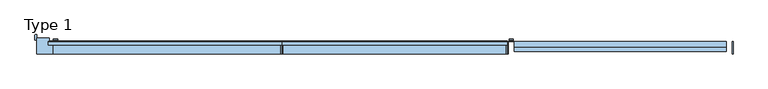
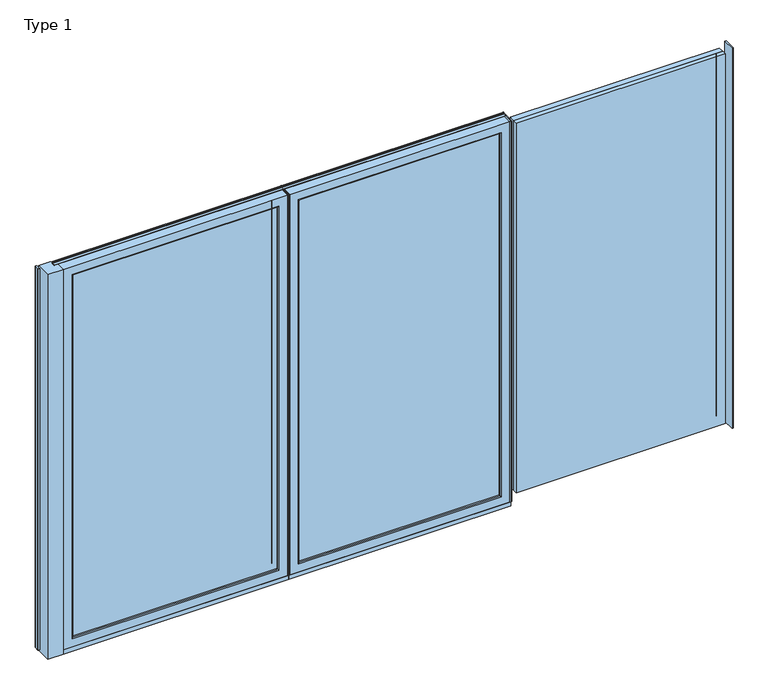
"""IFC4 building model written with IfcOpenShell, lengths in millimetres: window geometry, Type 1."""

from ifc_helpers import new_model, si_unit, point, frame, frame_2d, origin, place, context, project, spatial, polyline, circle_curve, ellipse_curve, trimmed, segment, composite_curve, outline, extrude, source, transform, mapped, element, save
from ifc_brep_helpers import plane_surface, cylinder_surface, extruded_surface, advanced_brep


def type_1_b9b01af2(model_context):
    return source(origin(), model_context, "Body", "SolidModel", [
        advanced_brep(
        [(-1882.0115262, 73.5, 1050.0), (-1905.9887879, 73.5, 1050.0), (-1905.9887879, 76.8965533, 1050.0), (-1882.0115262, 76.8965533, 1050.0), (-1882.0115262, 84.5, 1050.0), (-1882.0115262, 84.5, 918.6867153), (-1905.9887879, 84.5, 918.6867153), (-1905.9887879, 84.5, 1050.0), (-1905.9887879, 76.8965533, 918.6867153), (-1882.0115262, 76.8965533, 918.6867153)],
        [
            (0, 1, circle_curve(frame((-1894.0001571, 73.5, 1050.0), z_axis=(0.0, -1.0, 0.0), x_axis=(-1.0, 0.0, 0.0)), 11.9886308)),
            (1, 0, circle_curve(frame((-1894.0001571, 73.5, 1050.0), z_axis=(0.0, -1.0, 0.0), x_axis=(-1.0, 0.0, 0.0)), 11.9886308)),
            (1, 2),
            (2, 3, circle_curve(frame((-1894.0001571, 76.8965533, 1050.0), z_axis=(0.0, -1.0, 0.0), x_axis=(-1.0, 0.0, 0.0)), 11.9886308)),
            (3, 0),
            (3, 2, circle_curve(frame((-1894.0001571, 76.8965533, 1050.0), z_axis=(0.0, -1.0, 0.0), x_axis=(-1.0, 0.0, 0.0)), 11.9886308)),
            (4, 5),
            (5, 6, ellipse_curve(frame((-1894.0001571, 84.5, 918.6867153), z_axis=(0.0, 1.0, 0.0), x_axis=(1.0, 0.0, 0.0)), 11.9886308, 7.9050795)),
            (6, 7),
            (7, 4, circle_curve(frame((-1894.0001571, 84.5, 1050.0), z_axis=(0.0, 1.0, 0.0), x_axis=(-1.0, 0.0, 0.0)), 11.9886308)),
            (2, 8),
            (8, 9, ellipse_curve(frame((-1894.0001571, 76.8965533, 918.6867153), z_axis=(0.0, -1.0, 0.0), x_axis=(1.0, 0.0, 0.0)), 11.9886308, 7.9050795)),
            (9, 3),
            (4, 3),
            (9, 5),
            (8, 6),
            (2, 7),
        ],
        [
            plane_surface(frame((-1905.9887879, 73.5, 1050.0), z_axis=(0.0, -1.0, 0.0), x_axis=(0.0, 0.0, -1.0))),
            cylinder_surface(frame((-1894.0001571, 73.5, 1050.0), z_axis=(0.0, 1.0, 0.0), x_axis=(-1.0, 0.0, 0.0)), 11.9886308),
            plane_surface(frame((-1882.0115262, 84.5, 928.3382074), z_axis=(0.0, 1.0, 0.0), x_axis=(0.0, 0.0, -1.0))),
            plane_surface(frame((-1882.0115262, 76.8965533, 928.3382074), z_axis=(0.0, -1.0, 0.0), x_axis=(0.0, 0.0, 1.0))),
            plane_surface(frame((-1882.0115262, 84.5, 1050.0), z_axis=(1.0, 0.0, 0.0), x_axis=(0.0, -1.0, 0.0))),
            extruded_surface(trimmed(ellipse_curve(frame((-1894.0001571, 69.2931066, 918.6867153), z_axis=(0.0, 1.0, 0.0), x_axis=(1.0, 0.0, 0.0)), 11.9886308, 7.9050795), [point((-1882.0115262, 69.2931066, 918.6867153))], [point((-1905.9887879, 69.2931066, 918.6867153))], True, "CARTESIAN"), (0.0, 7.603446699999992, 0.0), 7.603446699999992),
            plane_surface(frame((-1905.9887879, 84.5, 918.6867153), z_axis=(-1.0, 0.0, 0.0), x_axis=(0.0, -1.0, 0.0))),
            cylinder_surface(frame((-1894.0001571, 76.8965533, 1050.0), z_axis=(0.0, 1.0, 0.0), x_axis=(-1.0, 0.0, 0.0)), 11.9886308),
        ],
        [
            (0, [[1, 2]]),
            (1, [[-2, 3, 4, 5]]),
            (1, [[-1, -5, 6, -3]]),
            (2, [[7, 8, 9, 10]]),
            (3, [[11, 12, 13, -4]]),
            (4, [[-7, 14, -13, 15]]),
            (5, [[-8, -15, -12, 16]]),
            (6, [[-9, -16, -11, 17]]),
            (7, [[-10, -17, -6, -14]]),
        ],
    ),
        extrude(outline(composite_curve([segment(trimmed(circle_curve(frame_2d((1068.75, -1894.0001571)), 14.0), [point((1068.75, -1880.0001571))], [point((1068.75, -1908.0001571))], False, "CARTESIAN"), True, "CONTINUOUS"), segment(polyline([(1068.75, -1908.0001571), (1031.25, -1908.0001571)]), True, "CONTINUOUS"), segment(trimmed(circle_curve(frame_2d((1031.25, -1894.0001571)), 14.0), [point((1031.25, -1908.0001571))], [point((1031.25, -1880.0001571))], False, "CARTESIAN"), True, "CONTINUOUS"), segment(polyline([(1031.25, -1880.0001571), (1068.75, -1880.0001571)]), True, "CONTINUOUS")], self_intersect=False)), frame((0.0, 70.0, 0.0), z_axis=(0.0, 1.0, 0.0), x_axis=(0.0, 0.0, 1.0)), (0.0, 0.0, 1.0), 3.5),
        advanced_brep(
        [(-2000.0005233, 0.0, 10.0), (-2000.0005233, 90.0, 10.0), (-1930.0005233, 90.0, 10.0), (-1930.0005233, 70.0, 10.0), (-1910.0005233, 70.0, 10.0), (-1910.0005233, 0.0, 10.0), (-2000.0005233, 0.0, 2337.0), (-2000.0005233, 90.0, 2337.0), (-2000.0005233, 90.0, 2325.0), (-2000.0005233, 78.0, 2325.0), (-2000.0005233, 78.0, 20.0), (-2000.0005233, 90.0, 20.0), (-1930.0005233, 90.0, 2337.0), (-1930.0005233, 70.0, 2337.0), (-1910.0005233, 70.0, 2337.0), (-1910.0005233, 0.0, 2337.0), (-2007.5005233, 78.0, 20.0), (-2007.5005233, 78.0, 2325.0), (-2010.0005233, 80.5, 20.0), (-2010.0005233, 106.5, 20.0), (-2007.5005233, 109.0, 20.0), (-2000.0005233, 109.0, 20.0), (-2000.0005233, 109.0, 2325.0), (-2010.0005233, 80.5, 2325.0), (-2010.0005233, 106.5, 2325.0), (-2007.5005233, 109.0, 2325.0)],
        [
            (0, 1),
            (1, 2),
            (2, 3),
            (3, 4),
            (4, 5),
            (5, 0),
            (0, 6),
            (6, 7),
            (7, 8),
            (8, 9),
            (9, 10),
            (10, 11),
            (11, 1),
            (11, 8),
            (7, 12),
            (12, 2),
            (12, 13),
            (13, 3),
            (13, 14),
            (14, 4),
            (14, 15),
            (15, 5),
            (15, 6),
            (16, 10),
            (9, 17),
            (17, 16),
            (16, 18, circle_curve(frame((-2007.5005233, 80.5, 20.0), z_axis=(0.0, 0.0, -1.0), x_axis=(0.0, 1.0, 0.0)), 2.5)),
            (18, 19),
            (19, 20, circle_curve(frame((-2007.5005233, 106.5, 20.0), z_axis=(0.0, 0.0, -1.0), x_axis=(0.0, 1.0, 0.0)), 2.5)),
            (20, 21),
            (21, 11),
            (21, 22),
            (22, 8),
            (17, 23, circle_curve(frame((-2007.5005233, 80.5, 2325.0), z_axis=(0.0, 0.0, -1.0), x_axis=(0.0, 1.0, 0.0)), 2.5)),
            (23, 18),
            (23, 24),
            (24, 19),
            (24, 25, circle_curve(frame((-2007.5005233, 106.5, 2325.0), z_axis=(0.0, 0.0, -1.0), x_axis=(0.0, 1.0, 0.0)), 2.5)),
            (25, 20),
            (25, 22),
        ],
        [
            plane_surface(frame((-1910.0001571, 0.0, 10.0), z_axis=(0.0, 0.0, -1.0), x_axis=(-1.0, 0.0, 0.0))),
            plane_surface(frame((-2000.0005233, 0.0, 10.0), z_axis=(-1.0, 0.0, 0.0), x_axis=(0.0, 0.0, 1.0))),
            plane_surface(frame((-2000.0005233, 90.0, 10.0), z_axis=(0.0, 1.0, 0.0), x_axis=(0.0, 0.0, 1.0))),
            plane_surface(frame((-1930.0005233, 90.0, 10.0), z_axis=(1.0, 0.0, 0.0), x_axis=(0.0, 0.0, 1.0))),
            plane_surface(frame((-1930.0005233, 70.0, 10.0), z_axis=(0.0, 1.0, 0.0), x_axis=(0.0, 0.0, 1.0))),
            plane_surface(frame((-1910.0005233, 70.0, 10.0), z_axis=(1.0, 0.0, 0.0), x_axis=(0.0, 0.0, 1.0))),
            plane_surface(frame((-1910.0005233, 0.0, 10.0), z_axis=(0.0, -1.0, 0.0), x_axis=(0.0, 0.0, 1.0))),
            plane_surface(frame((-1910.0001571, 0.0, 2337.0), z_axis=(0.0, 0.0, 1.0), x_axis=(-1.0, 0.0, 0.0))),
            plane_surface(frame((-2000.0005233, 78.0, 20.0), z_axis=(0.0, -1.0, 0.0), x_axis=(0.0, 0.0, 1.0))),
            plane_surface(frame((-2000.0005233, 0.0, 20.0), z_axis=(0.0, 0.0, -1.0), x_axis=(-1.0, 0.0, 0.0))),
            plane_surface(frame((-2000.0005233, 109.0, 20.0), z_axis=(1.0, 0.0, 0.0), x_axis=(0.0, 0.0, 1.0))),
            cylinder_surface(frame((-2007.5005233, 80.5, 20.0), z_axis=(0.0, 0.0, -1.0), x_axis=(0.0, 1.0, 0.0)), 2.5),
            plane_surface(frame((-2010.0005233, 80.5, 20.0), z_axis=(-1.0, 0.0, 0.0), x_axis=(0.0, 0.0, 1.0))),
            cylinder_surface(frame((-2007.5005233, 106.5, 20.0), z_axis=(0.0, 0.0, -1.0), x_axis=(0.0, 1.0, 0.0)), 2.5),
            plane_surface(frame((-2007.5005233, 109.0, 20.0), z_axis=(0.0, 1.0, 0.0), x_axis=(0.0, 0.0, 1.0))),
            plane_surface(frame((-2000.0005233, 0.0, 2325.0), z_axis=(0.0, 0.0, 1.0), x_axis=(-1.0, 0.0, 0.0))),
        ],
        [
            (0, [[1, 2, 3, 4, 5, 6]]),
            (1, [[-1, 7, 8, 9, 10, 11, 12, 13]]),
            (2, [[-2, -13, 14, -9, 15, 16]]),
            (3, [[-3, -16, 17, 18]]),
            (4, [[-4, -18, 19, 20]]),
            (5, [[-5, -20, 21, 22]]),
            (6, [[-6, -22, 23, -7]]),
            (7, [[-23, -21, -19, -17, -15, -8]]),
            (8, [[24, -11, 25, 26]]),
            (9, [[-24, 27, 28, 29, 30, 31, -12]]),
            (10, [[32, 33, -14, -31]]),
            (11, [[-27, -26, 34, 35]]),
            (12, [[-28, -35, 36, 37]]),
            (13, [[-29, -37, 38, 39]]),
            (14, [[-30, -39, 40, -32]]),
            (15, [[-40, -38, -36, -34, -25, -10, -33]]),
        ],
    ),
        extrude(outline(polyline([(-622.0001571, 0.0), (-628.0001571, 0.0), (-628.0001571, 70.0), (-622.0001571, 70.0), (-622.0001571, 0.0)])), frame((0.0, 0.0, 36.0), z_axis=(0.0, 0.0, 1.0), x_axis=(1.0, 0.0, 0.0)), (0.0, 0.0, 1.0), 2301.0),
        extrude(outline(polyline([(-660.0001571, 13.999939), (-1878.0001571, 13.999939), (-1878.0001571, 37.9928974), (-660.0001571, 37.9928974), (-660.0001571, 13.999939)])), frame((0.0, 0.0, 68.0), z_axis=(0.0, 0.0, 1.0), x_axis=(1.0, 0.0, 0.0)), (0.0, 0.0, 1.0), 2237.0),
        advanced_brep(
        [(-1856.0005843, 64.5552044, 2283.0004272), (-1856.0005843, 37.9928974, 2283.0004272), (-1856.0005843, 37.9928974, 89.9995728), (-1856.0005843, 64.5552044, 89.9995728), (-1878.0001571, 37.9928974, 2305.0), (-1878.0001571, 37.9928974, 68.0), (-660.0001571, 37.9928974, 68.0), (-660.0001571, 37.9928974, 2305.0), (-681.9997298, 37.9928974, 2283.0004272), (-681.9997298, 37.9928974, 89.9995728), (-681.9997298, 64.5552044, 89.9995728), (-1856.7101277, 65.8045072, 2283.7099707), (-1856.7101277, 65.8045072, 89.2900293), (-681.2901864, 65.8045072, 89.2900293), (-1872.0002181, 70.0, 2299.000061), (-1872.0002181, 70.0, 73.999939), (-666.000096, 70.0, 73.999939), (-660.0001571, 70.0, 2305.0), (-660.0001571, 70.0, 68.0), (-1878.0001571, 70.0, 68.0), (-1878.0001571, 70.0, 2305.0), (-666.000096, 70.0, 2299.000061), (-681.9997298, 64.5552044, 2283.0004272), (-681.2901864, 65.8045072, 2283.7099707)],
        [
            (0, 1),
            (1, 2),
            (2, 3),
            (3, 0),
            (4, 5),
            (5, 6),
            (6, 7),
            (7, 4),
            (8, 9),
            (9, 2),
            (1, 8),
            (9, 10),
            (10, 3),
            (11, 0, ellipse_curve(frame((-1857.4551883, 64.5552044, 2284.4550312), z_axis=(-0.7071067811865475, 0.0, -0.7071067811865475), x_axis=(-0.7071067811865474, 0.0, 0.7071067811865476)), 2.0571207, 1.454604)),
            (3, 12, ellipse_curve(frame((-1857.4551883, 64.5552044, 88.5449688), z_axis=(-0.7071067811865475, 0.0, 0.7071067811865475), x_axis=(0.7071067811865474, 0.0, 0.7071067811865476)), 2.0571207, 1.454604)),
            (12, 11),
            (10, 13, ellipse_curve(frame((-680.5451258, 64.5552044, 88.5449688), z_axis=(-0.7071067811865475, 0.0, -0.7071067811865475), x_axis=(-0.7071067811865476, 0.0, 0.7071067811865474)), 2.0571207, 1.454604)),
            (13, 12),
            (14, 11, ellipse_curve(frame((-1871.9362825, 40.2735922, 2298.9361254), z_axis=(-0.7071067811865475, 0.0, -0.7071067811865475), x_axis=(-0.7071067811865474, 0.0, 0.7071067811865476)), 42.0395863, 29.7264765)),
            (12, 15, ellipse_curve(frame((-1871.9362825, 40.2735922, 74.0638746), z_axis=(-0.7071067811865475, 0.0, 0.7071067811865475), x_axis=(0.7071067811865474, 0.0, 0.7071067811865476)), 42.0395863, 29.7264765)),
            (15, 14),
            (13, 16, ellipse_curve(frame((-666.0640316, 40.2735922, 74.0638746), z_axis=(-0.7071067811865475, 0.0, -0.7071067811865475), x_axis=(-0.7071067811865476, 0.0, 0.7071067811865474)), 42.0395863, 29.7264765)),
            (16, 15),
            (17, 18),
            (18, 19),
            (19, 20),
            (20, 17),
            (16, 21),
            (21, 14),
            (4, 20),
            (19, 5),
            (18, 6),
            (8, 22),
            (22, 10),
            (22, 23, ellipse_curve(frame((-680.5451258, 64.5552044, 2284.4550312), z_axis=(0.7071067811865475, 0.0, -0.7071067811865475), x_axis=(-0.7071067811865474, 0.0, -0.7071067811865476)), 2.0571207, 1.454604)),
            (23, 13),
            (23, 21, ellipse_curve(frame((-666.0640316, 40.2735922, 2298.9361254), z_axis=(0.7071067811865475, 0.0, -0.7071067811865475), x_axis=(-0.7071067811865474, 0.0, -0.7071067811865476)), 42.0395863, 29.7264765)),
            (17, 7),
            (0, 22),
            (11, 23),
        ],
        [
            plane_surface(frame((-1856.0005843, 37.9928974, 2283.0004272), z_axis=(1.0, 0.0, 0.0), x_axis=(0.0, 0.0, -1.0))),
            plane_surface(frame((-660.0001571, 37.9928974, 68.0), z_axis=(0.0, -1.0, 0.0), x_axis=(0.0, 0.0, 1.0))),
            plane_surface(frame((-1856.0005843, 37.9928974, 89.9995728), z_axis=(0.0, 0.0, 1.0), x_axis=(1.0, 0.0, 0.0))),
            cylinder_surface(frame((-1857.4551883, 64.5552044, 2283.0004272), z_axis=(0.0, 0.0, 1.0), x_axis=(-1.0, 0.0, 0.0)), 1.454604),
            cylinder_surface(frame((-1856.0005843, 64.5552044, 88.5449688), z_axis=(-1.0, 0.0, 0.0), x_axis=(0.0, 0.0, -1.0)), 1.454604),
            cylinder_surface(frame((-1871.9362825, 40.2735922, 2283.0004272), z_axis=(0.0, 0.0, 1.0), x_axis=(-1.0, 0.0, 0.0)), 29.7264765),
            cylinder_surface(frame((-1856.0005843, 40.2735922, 74.0638746), z_axis=(-1.0, 0.0, 0.0), x_axis=(0.0, 0.0, -1.0)), 29.7264765),
            plane_surface(frame((-666.000096, 70.0, 73.999939), z_axis=(0.0, 1.0, 0.0), x_axis=(0.0, 0.0, 1.0))),
            plane_surface(frame((-1878.0001571, 70.0, 2305.0), z_axis=(-1.0, 0.0, 0.0), x_axis=(0.0, 0.0, -1.0))),
            plane_surface(frame((-1878.0001571, 70.0, 68.0), z_axis=(0.0, 0.0, -1.0), x_axis=(1.0, 0.0, 0.0))),
            plane_surface(frame((-681.9997298, 37.9928974, 89.9995728), z_axis=(-1.0, 0.0, 0.0), x_axis=(0.0, 0.0, 1.0))),
            cylinder_surface(frame((-680.5451258, 64.5552044, 89.9995728), z_axis=(0.0, 0.0, -1.0), x_axis=(1.0, 0.0, 0.0)), 1.454604),
            cylinder_surface(frame((-666.0640316, 40.2735922, 89.9995728), z_axis=(0.0, 0.0, -1.0), x_axis=(1.0, 0.0, 0.0)), 29.7264765),
            plane_surface(frame((-660.0001571, 70.0, 68.0), z_axis=(1.0, 0.0, 0.0), x_axis=(0.0, 0.0, 1.0))),
            plane_surface(frame((-681.9997298, 37.9928974, 2283.0004272), z_axis=(0.0, 0.0, -1.0), x_axis=(-1.0, 0.0, 0.0))),
            cylinder_surface(frame((-681.9997298, 64.5552044, 2284.4550312), z_axis=(1.0, 0.0, 0.0), x_axis=(0.0, 0.0, 1.0)), 1.454604),
            cylinder_surface(frame((-681.9997298, 40.2735922, 2298.9361254), z_axis=(1.0, 0.0, 0.0), x_axis=(0.0, 0.0, 1.0)), 29.7264765),
            plane_surface(frame((-660.0001571, 70.0, 2305.0), z_axis=(0.0, 0.0, 1.0), x_axis=(-1.0, 0.0, 0.0))),
        ],
        [
            (0, [[1, 2, 3, 4]]),
            (1, [[5, 6, 7, 8], [9, 10, -2, 11]]),
            (2, [[-3, -10, 12, 13]]),
            (3, [[14, -4, 15, 16]]),
            (4, [[-15, -13, 17, 18]]),
            (5, [[19, -16, 20, 21]]),
            (6, [[-20, -18, 22, 23]]),
            (7, [[24, 25, 26, 27], [-21, -23, 28, 29]]),
            (8, [[30, -26, 31, -5]]),
            (9, [[-31, -25, 32, -6]]),
            (10, [[-12, -9, 33, 34]]),
            (11, [[-17, -34, 35, 36]]),
            (12, [[-22, -36, 37, -28]]),
            (13, [[-32, -24, 38, -7]]),
            (14, [[-33, -11, -1, 39]]),
            (15, [[-35, -39, -14, 40]]),
            (16, [[-37, -40, -19, -29]]),
            (17, [[-38, -27, -30, -8]]),
        ],
    ),
        advanced_brep(
        [(-628.0001571, 70.0, 2337.0), (-628.0001571, 0.0, 2337.0), (-628.0001571, 0.0, 36.0), (-628.0001571, 70.0, 36.0), (-1910.0001571, 0.0, 36.0), (-1910.0001571, 70.0, 36.0), (-1910.0001571, 0.0, 2337.0), (-1860.500967, 0.0, 85.4991901), (-1860.500967, 0.0, 2287.5008099), (-677.4993471, 0.0, 2287.5008099), (-677.4993471, 0.0, 85.4991901), (-1910.0001571, 70.0, 2337.0), (-660.0001571, 70.0, 68.0), (-660.0001571, 70.0, 2305.0), (-1878.0001571, 70.0, 2305.0), (-1878.0001571, 70.0, 68.0), (-660.0001571, 13.999939, 2305.0), (-660.0001571, 13.999939, 68.0), (-1878.0001571, 13.999939, 68.0), (-1878.0001571, 13.999939, 2305.0), (-681.9997298, 13.999939, 89.9995728), (-681.9997298, 13.999939, 2283.0004272), (-1856.0005843, 13.999939, 2283.0004272), (-1856.0005843, 13.999939, 89.9995728), (-681.9997298, 4.5004435, 2283.0004272), (-681.9997298, 4.5004435, 89.9995728), (-1856.0005843, 4.5004435, 89.9995728), (-1856.0005843, 4.5004435, 2283.0004272)],
        [
            (0, 1),
            (1, 2),
            (2, 3),
            (3, 0),
            (2, 4),
            (4, 5),
            (5, 3),
            (1, 6),
            (6, 4),
            (7, 8),
            (8, 9),
            (9, 10),
            (10, 7),
            (6, 11),
            (11, 5),
            (11, 0),
            (12, 13),
            (13, 14),
            (14, 15),
            (15, 12),
            (16, 13),
            (12, 17),
            (17, 16),
            (15, 18),
            (18, 17),
            (14, 19),
            (19, 18),
            (19, 16),
            (20, 21),
            (21, 22),
            (22, 23),
            (23, 20),
            (24, 21),
            (20, 25),
            (25, 24),
            (23, 26),
            (26, 25),
            (22, 27),
            (27, 26),
            (10, 25, ellipse_curve(frame((-677.4993471, 4.5004435, 85.4991901), z_axis=(-0.7071067811865475, 0.0, -0.7071067811865475), x_axis=(0.7071067811865476, 0.0, -0.7071067811865474)), 6.3645023, 4.5003827)),
            (26, 7, ellipse_curve(frame((-1860.500967, 4.5004435, 85.4991901), z_axis=(0.7071067811865475, 0.0, -0.7071067811865475), x_axis=(0.7071067811865476, 0.0, 0.7071067811865474)), 6.3645023, 4.5003827)),
            (9, 24, ellipse_curve(frame((-677.4993471, 4.5004435, 2287.5008099), z_axis=(0.7071067811865475, 0.0, -0.7071067811865475), x_axis=(0.7071067811865474, 0.0, 0.7071067811865476)), 6.3645023, 4.5003827)),
            (27, 8, ellipse_curve(frame((-1860.500967, 4.5004435, 2287.5008099), z_axis=(-0.7071067811865475, 0.0, -0.7071067811865475), x_axis=(0.7071067811865474, 0.0, -0.7071067811865476)), 6.3645023, 4.5003827)),
            (24, 27),
        ],
        [
            plane_surface(frame((-628.0001571, 0.0, 2337.0), z_axis=(1.0, 0.0, 0.0), x_axis=(0.0, 0.0, -1.0))),
            plane_surface(frame((-628.0001571, 0.0, 36.0), z_axis=(0.0, 0.0, -1.0), x_axis=(-1.0, 0.0, 0.0))),
            plane_surface(frame((-677.4993471, 0.0, 2287.5008099), z_axis=(0.0, -1.0, 0.0), x_axis=(0.0, 0.0, -1.0))),
            plane_surface(frame((-1910.0001571, 0.0, 36.0), z_axis=(-1.0, 0.0, 0.0), x_axis=(0.0, 0.0, 1.0))),
            plane_surface(frame((-628.0001571, 70.0, 2337.0), z_axis=(0.0, 1.0, 0.0), x_axis=(0.0, 0.0, -1.0))),
            plane_surface(frame((-660.0001571, 70.0, 2305.0), z_axis=(-1.0, 0.0, 0.0), x_axis=(0.0, 0.0, -1.0))),
            plane_surface(frame((-660.0001571, 70.0, 68.0), z_axis=(0.0, 0.0, 1.0), x_axis=(-1.0, 0.0, 0.0))),
            plane_surface(frame((-1878.0001571, 70.0, 68.0), z_axis=(1.0, 0.0, 0.0), x_axis=(0.0, 0.0, 1.0))),
            plane_surface(frame((-660.0001571, 13.999939, 2305.0), z_axis=(0.0, 1.0, 0.0), x_axis=(0.0, 0.0, -1.0))),
            plane_surface(frame((-681.9997298, 13.999939, 2283.0004272), z_axis=(-1.0, 0.0, 0.0), x_axis=(0.0, 0.0, -1.0))),
            plane_surface(frame((-681.9997298, 13.999939, 89.9995728), z_axis=(0.0, 0.0, 1.0), x_axis=(-1.0, 0.0, 0.0))),
            plane_surface(frame((-1856.0005843, 13.999939, 89.9995728), z_axis=(1.0, 0.0, 0.0), x_axis=(0.0, 0.0, 1.0))),
            cylinder_surface(frame((-622.0001571, 4.5004435, 85.4991901), z_axis=(1.0, 0.0, 0.0), x_axis=(0.0, 1.0, 0.0)), 4.5003827),
            cylinder_surface(frame((-677.4993471, 4.5004435, 2343.0), z_axis=(0.0, 0.0, 1.0), x_axis=(0.0, 1.0, 0.0)), 4.5003827),
            cylinder_surface(frame((-1860.500967, 4.5004435, 30.0), z_axis=(0.0, 0.0, -1.0), x_axis=(0.0, 1.0, 0.0)), 4.5003827),
            plane_surface(frame((-1910.0001571, 0.0, 2337.0), z_axis=(0.0, 0.0, 1.0), x_axis=(1.0, 0.0, 0.0))),
            plane_surface(frame((-1878.0001571, 70.0, 2305.0), z_axis=(0.0, 0.0, -1.0), x_axis=(1.0, 0.0, 0.0))),
            plane_surface(frame((-1856.0005843, 13.999939, 2283.0004272), z_axis=(0.0, 0.0, -1.0), x_axis=(1.0, 0.0, 0.0))),
            cylinder_surface(frame((-1916.0001571, 4.5004435, 2287.5008099), z_axis=(-1.0, 0.0, 0.0), x_axis=(0.0, 1.0, 0.0)), 4.5003827),
        ],
        [
            (0, [[1, 2, 3, 4]]),
            (1, [[-3, 5, 6, 7]]),
            (2, [[-2, 8, 9, -5], [10, 11, 12, 13]]),
            (3, [[-6, -9, 14, 15]]),
            (4, [[-15, 16, -4, -7], [17, 18, 19, 20]]),
            (5, [[21, -17, 22, 23]]),
            (6, [[-22, -20, 24, 25]]),
            (7, [[-24, -19, 26, 27]]),
            (8, [[-27, 28, -23, -25], [29, 30, 31, 32]]),
            (9, [[33, -29, 34, 35]]),
            (10, [[-34, -32, 36, 37]]),
            (11, [[-36, -31, 38, 39]]),
            (12, [[40, -37, 41, -13]]),
            (13, [[42, -35, -40, -12]]),
            (14, [[-41, -39, 43, -10]]),
            (15, [[-14, -8, -1, -16]]),
            (16, [[-26, -18, -21, -28]]),
            (17, [[-38, -30, -33, 44]]),
            (18, [[-43, -44, -42, -11]]),
        ],
    ),
        extrude(outline(composite_curve([segment(polyline([(52.044326, 2339.1400778), (68.6363596, 2339.1400778), (70.0, 2342.963961), (70.0, 2348.6420698), (70.8937897, 2348.6420698), (71.8738669, 2344.9939222)]), True, "CONTINUOUS"), segment(trimmed(circle_curve(frame_2d((69.9423544, 2344.4750201)), 2.0), [point((71.8738669, 2344.9939222))], [point((71.8735116, 2343.9547971))], False, "CARTESIAN"), True, "CONTINUOUS"), segment(polyline([(71.8735116, 2343.9547971), (70.0, 2337.0), (52.044326, 2337.0), (52.044326, 2339.1400778)]), True, "CONTINUOUS")], self_intersect=False)), frame((-1933.6001571, 0.0, 0.0), z_axis=(1.0, 0.0, 0.0), x_axis=(0.0, 1.0, 0.0)), (0.0, 0.0, 1.0), 1311.6),
        extrude(outline(polyline([(-622.0001571, 7.6000076), (-622.0001571, 0.0), (-1910.0001571, 0.0), (-1910.0001571, 7.6000076), (-622.0001571, 7.6000076)])), frame((0.0, 0.0, 10.0), z_axis=(0.0, 0.0, 1.0), x_axis=(1.0, 0.0, 0.0)), (0.0, 0.0, 1.0), 26.0),
        extrude(outline(polyline([(-622.0001571, 70.0), (-622.0001571, 62.2757497), (-1910.0001571, 62.2757497), (-1910.0001571, 70.0), (-622.0001571, 70.0)])), frame((0.0, 0.0, 10.0), z_axis=(0.0, 0.0, 1.0), x_axis=(1.0, 0.0, 0.0)), (0.0, 0.0, 1.0), 26.0),
        extrude(outline(polyline([(-622.0000785, 0.0), (-622.0000785, 70.0), (-616.0000785, 70.0), (-616.0000785, 0.0), (-622.0000785, 0.0)])), frame((0.0, 0.0, 36.0), z_axis=(0.0, 0.0, 1.0), x_axis=(1.0, 0.0, 0.0)), (0.0, 0.0, 1.0), 2301.0),
        extrude(outline(polyline([(648.3999215, 0.0), (642.3999215, 0.0), (642.3999215, 70.0), (648.3999215, 70.0), (648.3999215, 0.0)])), frame((0.0, 0.0, 36.0), z_axis=(0.0, 0.0, 1.0), x_axis=(1.0, 0.0, 0.0)), (0.0, 0.0, 1.0), 2301.0),
        extrude(outline(polyline([(-584.0000785, 13.999939), (-584.0000785, 37.9928974), (610.3999215, 37.9928974), (610.3999215, 13.999939), (-584.0000785, 13.999939)])), frame((0.0, 0.0, 68.0), z_axis=(0.0, 0.0, 1.0), x_axis=(1.0, 0.0, 0.0)), (0.0, 0.0, 1.0), 2237.0),
        advanced_brep(
        [(588.4003487, 64.5552044, 2283.0004272), (588.4003487, 64.5552044, 89.9995728), (588.4003487, 37.9928974, 89.9995728), (588.4003487, 37.9928974, 2283.0004272), (610.3999215, 37.9928974, 2305.0), (-584.0000785, 37.9928974, 2305.0), (-584.0000785, 37.9928974, 68.0), (610.3999215, 37.9928974, 68.0), (-562.0005058, 37.9928974, 2283.0004272), (-562.0005058, 37.9928974, 89.9995728), (-562.0005058, 64.5552044, 89.9995728), (589.1098921, 65.8045072, 2283.7099707), (589.1098921, 65.8045072, 89.2900293), (-562.7100492, 65.8045072, 89.2900293), (604.3999825, 70.0, 2299.000061), (604.3999825, 70.0, 73.999939), (-578.0001396, 70.0, 73.999939), (-584.0000785, 70.0, 2305.0), (610.3999215, 70.0, 2305.0), (610.3999215, 70.0, 68.0), (-584.0000785, 70.0, 68.0), (-578.0001396, 70.0, 2299.000061), (-562.0005058, 64.5552044, 2283.0004272), (-562.7100492, 65.8045072, 2283.7099707)],
        [
            (0, 1),
            (1, 2),
            (2, 3),
            (3, 0),
            (4, 5),
            (5, 6),
            (6, 7),
            (7, 4),
            (8, 3),
            (2, 9),
            (9, 8),
            (1, 10),
            (10, 9),
            (11, 12),
            (12, 1, ellipse_curve(frame((589.8549527, 64.5552044, 88.5449688), z_axis=(0.7071067811865475, 0.0, 0.7071067811865475), x_axis=(-0.7071067811865474, 0.0, 0.7071067811865476)), 2.0571207, 1.454604)),
            (0, 11, ellipse_curve(frame((589.8549527, 64.5552044, 2284.4550312), z_axis=(0.7071067811865475, 0.0, -0.7071067811865475), x_axis=(0.7071067811865474, 0.0, 0.7071067811865476)), 2.0571207, 1.454604)),
            (12, 13),
            (13, 10, ellipse_curve(frame((-563.4551097, 64.5552044, 88.5449688), z_axis=(0.7071067811865475, 0.0, -0.7071067811865475), x_axis=(0.7071067811865476, 0.0, 0.7071067811865474)), 2.0571207, 1.454604)),
            (14, 15),
            (15, 12, ellipse_curve(frame((604.3360469, 40.2735922, 74.0638746), z_axis=(0.7071067811865475, 0.0, 0.7071067811865475), x_axis=(-0.7071067811865474, 0.0, 0.7071067811865476)), 42.0395863, 29.7264765)),
            (11, 14, ellipse_curve(frame((604.3360469, 40.2735922, 2298.9361254), z_axis=(0.7071067811865475, 0.0, -0.7071067811865475), x_axis=(0.7071067811865474, 0.0, 0.7071067811865476)), 42.0395863, 29.7264765)),
            (15, 16),
            (16, 13, ellipse_curve(frame((-577.936204, 40.2735922, 74.0638746), z_axis=(0.7071067811865475, 0.0, -0.7071067811865475), x_axis=(0.7071067811865476, 0.0, 0.7071067811865474)), 42.0395863, 29.7264765)),
            (17, 18),
            (18, 19),
            (19, 20),
            (20, 17),
            (14, 21),
            (21, 16),
            (7, 19),
            (18, 4),
            (6, 20),
            (10, 22),
            (22, 8),
            (13, 23),
            (23, 22, ellipse_curve(frame((-563.4551097, 64.5552044, 2284.4550312), z_axis=(-0.7071067811865475, 0.0, -0.7071067811865475), x_axis=(0.7071067811865474, 0.0, -0.7071067811865476)), 2.0571207, 1.454604)),
            (21, 23, ellipse_curve(frame((-577.936204, 40.2735922, 2298.9361254), z_axis=(-0.7071067811865475, 0.0, -0.7071067811865475), x_axis=(0.7071067811865474, 0.0, -0.7071067811865476)), 42.0395863, 29.7264765)),
            (5, 17),
            (22, 0),
            (23, 11),
        ],
        [
            plane_surface(frame((588.4003487, 37.9928974, 2283.0004272), z_axis=(-1.0, 0.0, 0.0), x_axis=(0.0, 0.0, -1.0))),
            plane_surface(frame((-584.0000785, 37.9928974, 68.0), z_axis=(0.0, -1.0, 0.0), x_axis=(0.0, 0.0, 1.0))),
            plane_surface(frame((588.4003487, 37.9928974, 89.9995728), z_axis=(0.0, 0.0, 1.0), x_axis=(-1.0, 0.0, 0.0))),
            cylinder_surface(frame((589.8549527, 64.5552044, 2283.0004272), z_axis=(0.0, 0.0, 1.0), x_axis=(1.0, 0.0, 0.0)), 1.454604),
            cylinder_surface(frame((588.4003487, 64.5552044, 88.5449688), z_axis=(1.0, 0.0, 0.0), x_axis=(0.0, 0.0, -1.0)), 1.454604),
            cylinder_surface(frame((604.3360469, 40.2735922, 2283.0004272), z_axis=(0.0, 0.0, 1.0), x_axis=(1.0, 0.0, 0.0)), 29.7264765),
            cylinder_surface(frame((588.4003487, 40.2735922, 74.0638746), z_axis=(1.0, 0.0, 0.0), x_axis=(0.0, 0.0, -1.0)), 29.7264765),
            plane_surface(frame((-578.0001396, 70.0, 73.999939), z_axis=(0.0, 1.0, 0.0), x_axis=(0.0, 0.0, 1.0))),
            plane_surface(frame((610.3999215, 70.0, 2305.0), z_axis=(1.0, 0.0, 0.0), x_axis=(0.0, 0.0, -1.0))),
            plane_surface(frame((610.3999215, 70.0, 68.0), z_axis=(0.0, 0.0, -1.0), x_axis=(-1.0, 0.0, 0.0))),
            plane_surface(frame((-562.0005058, 37.9928974, 89.9995728), z_axis=(1.0, 0.0, 0.0), x_axis=(0.0, 0.0, 1.0))),
            cylinder_surface(frame((-563.4551097, 64.5552044, 89.9995728), z_axis=(0.0, 0.0, -1.0), x_axis=(-1.0, 0.0, 0.0)), 1.454604),
            cylinder_surface(frame((-577.936204, 40.2735922, 89.9995728), z_axis=(0.0, 0.0, -1.0), x_axis=(-1.0, 0.0, 0.0)), 29.7264765),
            plane_surface(frame((-584.0000785, 70.0, 68.0), z_axis=(-1.0, 0.0, 0.0), x_axis=(0.0, 0.0, 1.0))),
            plane_surface(frame((-562.0005058, 37.9928974, 2283.0004272), z_axis=(0.0, 0.0, -1.0), x_axis=(1.0, 0.0, 0.0))),
            cylinder_surface(frame((-562.0005058, 64.5552044, 2284.4550312), z_axis=(-1.0, 0.0, 0.0), x_axis=(0.0, 0.0, 1.0)), 1.454604),
            cylinder_surface(frame((-562.0005058, 40.2735922, 2298.9361254), z_axis=(-1.0, 0.0, 0.0), x_axis=(0.0, 0.0, 1.0)), 29.7264765),
            plane_surface(frame((-584.0000785, 70.0, 2305.0), z_axis=(0.0, 0.0, 1.0), x_axis=(1.0, 0.0, 0.0))),
        ],
        [
            (0, [[1, 2, 3, 4]]),
            (1, [[5, 6, 7, 8], [9, -3, 10, 11]]),
            (2, [[12, 13, -10, -2]]),
            (3, [[14, 15, -1, 16]]),
            (4, [[17, 18, -12, -15]]),
            (5, [[19, 20, -14, 21]]),
            (6, [[22, 23, -17, -20]]),
            (7, [[24, 25, 26, 27], [28, 29, -22, -19]]),
            (8, [[-8, 30, -25, 31]]),
            (9, [[-7, 32, -26, -30]]),
            (10, [[33, 34, -11, -13]]),
            (11, [[35, 36, -33, -18]]),
            (12, [[-29, 37, -35, -23]]),
            (13, [[-6, 38, -27, -32]]),
            (14, [[39, -4, -9, -34]]),
            (15, [[40, -16, -39, -36]]),
            (16, [[-28, -21, -40, -37]]),
            (17, [[-5, -31, -24, -38]]),
        ],
    ),
        advanced_brep(
        [(-616.0000785, 70.0, 2337.0), (-616.0000785, 70.0, 36.0), (-616.0000785, 0.0, 36.0), (-616.0000785, 0.0, 2337.0), (642.3999215, 70.0, 36.0), (642.3999215, 0.0, 36.0), (642.3999215, 0.0, 2337.0), (592.9007314, 0.0, 85.4991901), (-566.5008885, 0.0, 85.4991901), (-566.5008885, 0.0, 2287.5008099), (592.9007314, 0.0, 2287.5008099), (642.3999215, 70.0, 2337.0), (-584.0000785, 70.0, 68.0), (610.3999215, 70.0, 68.0), (610.3999215, 70.0, 2305.0), (-584.0000785, 70.0, 2305.0), (-584.0000785, 13.999939, 2305.0), (-584.0000785, 13.999939, 68.0), (610.3999215, 13.999939, 68.0), (610.3999215, 13.999939, 2305.0), (-562.0005058, 13.999939, 89.9995728), (588.4003487, 13.999939, 89.9995728), (588.4003487, 13.999939, 2283.0004272), (-562.0005058, 13.999939, 2283.0004272), (-562.0005058, 4.5004435, 2283.0004272), (-562.0005058, 4.5004435, 89.9995728), (588.4003487, 4.5004435, 89.9995728), (588.4003487, 4.5004435, 2283.0004272)],
        [
            (0, 1),
            (1, 2),
            (2, 3),
            (3, 0),
            (1, 4),
            (4, 5),
            (5, 2),
            (5, 6),
            (6, 3),
            (7, 8),
            (8, 9),
            (9, 10),
            (10, 7),
            (4, 11),
            (11, 6),
            (0, 11),
            (12, 13),
            (13, 14),
            (14, 15),
            (15, 12),
            (16, 17),
            (17, 12),
            (15, 16),
            (17, 18),
            (18, 13),
            (18, 19),
            (19, 14),
            (16, 19),
            (20, 21),
            (21, 22),
            (22, 23),
            (23, 20),
            (24, 25),
            (25, 20),
            (23, 24),
            (25, 26),
            (26, 21),
            (26, 27),
            (27, 22),
            (7, 26, ellipse_curve(frame((592.9007314, 4.5004435, 85.4991901), z_axis=(-0.7071067811865475, 0.0, -0.7071067811865475), x_axis=(-0.7071067811865476, 0.0, 0.7071067811865474)), 6.3645023, 4.5003827)),
            (25, 8, ellipse_curve(frame((-566.5008885, 4.5004435, 85.4991901), z_axis=(0.7071067811865475, 0.0, -0.7071067811865475), x_axis=(-0.7071067811865476, 0.0, -0.7071067811865474)), 6.3645023, 4.5003827)),
            (24, 9, ellipse_curve(frame((-566.5008885, 4.5004435, 2287.5008099), z_axis=(-0.7071067811865475, 0.0, -0.7071067811865475), x_axis=(-0.7071067811865474, 0.0, 0.7071067811865476)), 6.3645023, 4.5003827)),
            (10, 27, ellipse_curve(frame((592.9007314, 4.5004435, 2287.5008099), z_axis=(0.7071067811865475, 0.0, -0.7071067811865475), x_axis=(-0.7071067811865474, 0.0, -0.7071067811865476)), 6.3645023, 4.5003827)),
            (27, 24),
        ],
        [
            plane_surface(frame((-616.0000785, 0.0, 2337.0), z_axis=(-1.0, 0.0, 0.0), x_axis=(0.0, 0.0, -1.0))),
            plane_surface(frame((-616.0000785, 0.0, 36.0), z_axis=(0.0, 0.0, -1.0), x_axis=(1.0, 0.0, 0.0))),
            plane_surface(frame((-566.5008885, 0.0, 2287.5008099), z_axis=(0.0, -1.0, 0.0), x_axis=(0.0, 0.0, -1.0))),
            plane_surface(frame((642.3999215, 0.0, 36.0), z_axis=(1.0, 0.0, 0.0), x_axis=(0.0, 0.0, 1.0))),
            plane_surface(frame((-616.0000785, 70.0, 2337.0), z_axis=(0.0, 1.0, 0.0), x_axis=(0.0, 0.0, -1.0))),
            plane_surface(frame((-584.0000785, 70.0, 2305.0), z_axis=(1.0, 0.0, 0.0), x_axis=(0.0, 0.0, -1.0))),
            plane_surface(frame((-584.0000785, 70.0, 68.0), z_axis=(0.0, 0.0, 1.0), x_axis=(1.0, 0.0, 0.0))),
            plane_surface(frame((610.3999215, 70.0, 68.0), z_axis=(-1.0, 0.0, 0.0), x_axis=(0.0, 0.0, 1.0))),
            plane_surface(frame((-584.0000785, 13.999939, 2305.0), z_axis=(0.0, 1.0, 0.0), x_axis=(0.0, 0.0, -1.0))),
            plane_surface(frame((-562.0005058, 13.999939, 2283.0004272), z_axis=(1.0, 0.0, 0.0), x_axis=(0.0, 0.0, -1.0))),
            plane_surface(frame((-562.0005058, 13.999939, 89.9995728), z_axis=(0.0, 0.0, 1.0), x_axis=(1.0, 0.0, 0.0))),
            plane_surface(frame((588.4003487, 13.999939, 89.9995728), z_axis=(-1.0, 0.0, 0.0), x_axis=(0.0, 0.0, 1.0))),
            cylinder_surface(frame((-622.0000785, 4.5004435, 85.4991901), z_axis=(-1.0, 0.0, 0.0), x_axis=(0.0, 1.0, 0.0)), 4.5003827),
            cylinder_surface(frame((-566.5008885, 4.5004435, 2343.0), z_axis=(0.0, 0.0, 1.0), x_axis=(0.0, 1.0, 0.0)), 4.5003827),
            cylinder_surface(frame((592.9007314, 4.5004435, 30.0), z_axis=(0.0, 0.0, -1.0), x_axis=(0.0, 1.0, 0.0)), 4.5003827),
            plane_surface(frame((642.3999215, 0.0, 2337.0), z_axis=(0.0, 0.0, 1.0), x_axis=(-1.0, 0.0, 0.0))),
            plane_surface(frame((610.3999215, 70.0, 2305.0), z_axis=(0.0, 0.0, -1.0), x_axis=(-1.0, 0.0, 0.0))),
            plane_surface(frame((588.4003487, 13.999939, 2283.0004272), z_axis=(0.0, 0.0, -1.0), x_axis=(-1.0, 0.0, 0.0))),
            cylinder_surface(frame((648.3999215, 4.5004435, 2287.5008099), z_axis=(1.0, 0.0, 0.0), x_axis=(0.0, 1.0, 0.0)), 4.5003827),
        ],
        [
            (0, [[1, 2, 3, 4]]),
            (1, [[5, 6, 7, -2]]),
            (2, [[-7, 8, 9, -3], [10, 11, 12, 13]]),
            (3, [[14, 15, -8, -6]]),
            (4, [[-5, -1, 16, -14], [17, 18, 19, 20]]),
            (5, [[21, 22, -20, 23]]),
            (6, [[24, 25, -17, -22]]),
            (7, [[26, 27, -18, -25]]),
            (8, [[-24, -21, 28, -26], [29, 30, 31, 32]]),
            (9, [[33, 34, -32, 35]]),
            (10, [[36, 37, -29, -34]]),
            (11, [[38, 39, -30, -37]]),
            (12, [[-10, 40, -36, 41]]),
            (13, [[-11, -41, -33, 42]]),
            (14, [[-13, 43, -38, -40]]),
            (15, [[-16, -4, -9, -15]]),
            (16, [[-28, -23, -19, -27]]),
            (17, [[44, -35, -31, -39]]),
            (18, [[-12, -42, -44, -43]]),
        ],
    ),
        extrude(outline(polyline([(-622.0000785, 7.6000076), (648.3999215, 7.6000076), (648.3999215, 0.0), (-622.0000785, 0.0), (-622.0000785, 7.6000076)])), frame((0.0, 0.0, 10.0), z_axis=(0.0, 0.0, 1.0), x_axis=(1.0, 0.0, 0.0)), (0.0, 0.0, 1.0), 26.0),
        extrude(outline(polyline([(-622.0000785, 70.0), (648.3999215, 70.0), (648.3999215, 62.2757497), (-622.0000785, 62.2757497), (-622.0000785, 70.0)])), frame((0.0, 0.0, 10.0), z_axis=(0.0, 0.0, 1.0), x_axis=(1.0, 0.0, 0.0)), (0.0, 0.0, 1.0), 26.0),
        extrude(outline(composite_curve([segment(polyline([(52.044326, 2339.1400778), (68.6363596, 2339.1400778), (70.0, 2342.963961), (70.0, 2348.6420698), (70.8937897, 2348.6420698), (71.8738669, 2344.9939222)]), True, "CONTINUOUS"), segment(trimmed(circle_curve(frame_2d((69.9423544, 2344.4750201)), 2.0), [point((71.8738669, 2344.9939222))], [point((71.8735116, 2343.9547971))], False, "CARTESIAN"), True, "CONTINUOUS"), segment(polyline([(71.8735116, 2343.9547971), (70.0, 2337.0), (52.044326, 2337.0), (52.044326, 2339.1400778)]), True, "CONTINUOUS")], self_intersect=False)), frame((-622.0000785, 0.0, 0.0), z_axis=(1.0, 0.0, 0.0), x_axis=(0.0, 1.0, 0.0)), (0.0, 0.0, 1.0), 1270.4),
        advanced_brep(
        [(682.3886308, 73.5, 1050.0), (658.4113692, 73.5, 1050.0), (658.4113692, 76.8965533, 1050.0), (682.3886308, 76.8965533, 1050.0), (682.3886308, 84.5, 1050.0), (682.3886308, 84.5, 918.6867153), (658.4113692, 84.5, 918.6867153), (658.4113692, 84.5, 1050.0), (658.4113692, 76.8965533, 918.6867153), (682.3886308, 76.8965533, 918.6867153)],
        [
            (0, 1, circle_curve(frame((670.4, 73.5, 1050.0), z_axis=(0.0, -1.0, 0.0), x_axis=(-1.0, 0.0, 0.0)), 11.9886308)),
            (1, 0, circle_curve(frame((670.4, 73.5, 1050.0), z_axis=(0.0, -1.0, 0.0), x_axis=(-1.0, 0.0, 0.0)), 11.9886308)),
            (1, 2),
            (2, 3, circle_curve(frame((670.4, 76.8965533, 1050.0), z_axis=(0.0, -1.0, 0.0), x_axis=(-1.0, 0.0, 0.0)), 11.9886308)),
            (3, 0),
            (3, 2, circle_curve(frame((670.4, 76.8965533, 1050.0), z_axis=(0.0, -1.0, 0.0), x_axis=(-1.0, 0.0, 0.0)), 11.9886308)),
            (4, 5),
            (5, 6, ellipse_curve(frame((670.4, 84.5, 918.6867153), z_axis=(0.0, 1.0, 0.0), x_axis=(1.0, 0.0, 0.0)), 11.9886308, 7.9050795)),
            (6, 7),
            (7, 4, circle_curve(frame((670.4, 84.5, 1050.0), z_axis=(0.0, 1.0, 0.0), x_axis=(-1.0, 0.0, 0.0)), 11.9886308)),
            (2, 8),
            (8, 9, ellipse_curve(frame((670.4, 76.8965533, 918.6867153), z_axis=(0.0, -1.0, 0.0), x_axis=(1.0, 0.0, 0.0)), 11.9886308, 7.9050795)),
            (9, 3),
            (4, 3),
            (9, 5),
            (8, 6),
            (2, 7),
        ],
        [
            plane_surface(frame((658.4113692, 73.5, 1050.0), z_axis=(0.0, -1.0, 0.0), x_axis=(0.0, 0.0, -1.0))),
            cylinder_surface(frame((670.4, 73.5, 1050.0), z_axis=(0.0, 1.0, 0.0), x_axis=(-1.0, 0.0, 0.0)), 11.9886308),
            plane_surface(frame((682.3886308, 84.5, 928.3382074), z_axis=(0.0, 1.0, 0.0), x_axis=(0.0, 0.0, -1.0))),
            plane_surface(frame((682.3886308, 76.8965533, 928.3382074), z_axis=(0.0, -1.0, 0.0), x_axis=(0.0, 0.0, 1.0))),
            plane_surface(frame((682.3886308, 84.5, 1050.0), z_axis=(1.0, 0.0, 0.0), x_axis=(0.0, -1.0, 0.0))),
            extruded_surface(trimmed(ellipse_curve(frame((670.4, 69.2931066, 918.6867153), z_axis=(0.0, 1.0, 0.0), x_axis=(1.0, 0.0, 0.0)), 11.9886308, 7.9050795), [point((682.3886308, 69.2931066, 918.6867153))], [point((658.4113692, 69.2931066, 918.6867153))], True, "CARTESIAN"), (0.0, 7.603446699999992, 0.0), 7.603446699999992),
            plane_surface(frame((658.4113692, 84.5, 918.6867153), z_axis=(-1.0, 0.0, 0.0), x_axis=(0.0, -1.0, 0.0))),
            cylinder_surface(frame((670.4, 76.8965533, 1050.0), z_axis=(0.0, 1.0, 0.0), x_axis=(-1.0, 0.0, 0.0)), 11.9886308),
        ],
        [
            (0, [[1, 2]]),
            (1, [[-2, 3, 4, 5]]),
            (1, [[-1, -5, 6, -3]]),
            (2, [[7, 8, 9, 10]]),
            (3, [[11, 12, 13, -4]]),
            (4, [[-7, 14, -13, 15]]),
            (5, [[-8, -15, -12, 16]]),
            (6, [[-9, -16, -11, 17]]),
            (7, [[-10, -17, -6, -14]]),
        ],
    ),
        extrude(outline(composite_curve([segment(trimmed(circle_curve(frame_2d((1068.75, 670.4)), 14.0), [point((1068.75, 684.4))], [point((1068.75, 656.4))], False, "CARTESIAN"), True, "CONTINUOUS"), segment(polyline([(1068.75, 656.4), (1031.25, 656.4)]), True, "CONTINUOUS"), segment(trimmed(circle_curve(frame_2d((1031.25, 670.4)), 14.0), [point((1031.25, 656.4))], [point((1031.25, 684.4))], False, "CARTESIAN"), True, "CONTINUOUS"), segment(polyline([(1031.25, 684.4), (1068.75, 684.4)]), True, "CONTINUOUS")], self_intersect=False)), frame((0.0, 70.0, 0.0), z_axis=(0.0, 1.0, 0.0), x_axis=(0.0, 0.0, 1.0)), (0.0, 0.0, 1.0), 3.5),
        extrude(outline(polyline([(1918.8, 0.0), (1912.8, 0.0), (1912.8, 70.0), (1918.8, 70.0), (1918.8, 0.0)])), frame((0.0, 0.0, 36.0), z_axis=(0.0, 0.0, 1.0), x_axis=(1.0, 0.0, 0.0)), (0.0, 0.0, 1.0), 2301.0),
        extrude(outline(polyline([(648.4, 0.0), (648.4, 70.0), (654.4, 70.0), (654.4, 0.0), (648.4, 0.0)])), frame((0.0, 0.0, 36.0), z_axis=(0.0, 0.0, 1.0), x_axis=(1.0, 0.0, 0.0)), (0.0, 0.0, 1.0), 2301.0),
        extrude(outline(polyline([(1880.8, 13.999939), (686.4, 13.999939), (686.4, 37.9928974), (1880.8, 37.9928974), (1880.8, 13.999939)])), frame((0.0, 0.0, 68.0), z_axis=(0.0, 0.0, 1.0), x_axis=(1.0, 0.0, 0.0)), (0.0, 0.0, 1.0), 2237.0),
        advanced_brep(
        [(708.3995728, 64.5552044, 2283.0004272), (708.3995728, 37.9928974, 2283.0004272), (708.3995728, 37.9928974, 89.9995728), (708.3995728, 64.5552044, 89.9995728), (686.4, 37.9928974, 2305.0), (686.4, 37.9928974, 68.0), (1880.8, 37.9928974, 68.0), (1880.8, 37.9928974, 2305.0), (1858.8004272, 37.9928974, 2283.0004272), (1858.8004272, 37.9928974, 89.9995728), (1858.8004272, 64.5552044, 89.9995728), (707.6900293, 65.8045072, 2283.7099707), (707.6900293, 65.8045072, 89.2900293), (1859.5099707, 65.8045072, 89.2900293), (692.399939, 70.0, 2299.000061), (692.399939, 70.0, 73.999939), (1874.800061, 70.0, 73.999939), (1880.8, 70.0, 2305.0), (1880.8, 70.0, 68.0), (686.4, 70.0, 68.0), (686.4, 70.0, 2305.0), (1874.800061, 70.0, 2299.000061), (1858.8004272, 64.5552044, 2283.0004272), (1859.5099707, 65.8045072, 2283.7099707)],
        [
            (0, 1),
            (1, 2),
            (2, 3),
            (3, 0),
            (4, 5),
            (5, 6),
            (6, 7),
            (7, 4),
            (8, 9),
            (9, 2),
            (1, 8),
            (9, 10),
            (10, 3),
            (11, 0, ellipse_curve(frame((706.9449688, 64.5552044, 2284.4550312), z_axis=(-0.7071067811865475, 0.0, -0.7071067811865475), x_axis=(-0.7071067811865474, 0.0, 0.7071067811865476)), 2.0571207, 1.454604)),
            (3, 12, ellipse_curve(frame((706.9449688, 64.5552044, 88.5449688), z_axis=(-0.7071067811865475, 0.0, 0.7071067811865475), x_axis=(0.7071067811865474, 0.0, 0.7071067811865476)), 2.0571207, 1.454604)),
            (12, 11),
            (10, 13, ellipse_curve(frame((1860.2550312, 64.5552044, 88.5449688), z_axis=(-0.7071067811865475, 0.0, -0.7071067811865475), x_axis=(-0.7071067811865476, 0.0, 0.7071067811865474)), 2.0571207, 1.454604)),
            (13, 12),
            (14, 11, ellipse_curve(frame((692.4638746, 40.2735922, 2298.9361254), z_axis=(-0.7071067811865475, 0.0, -0.7071067811865475), x_axis=(-0.7071067811865474, 0.0, 0.7071067811865476)), 42.0395863, 29.7264765)),
            (12, 15, ellipse_curve(frame((692.4638746, 40.2735922, 74.0638746), z_axis=(-0.7071067811865475, 0.0, 0.7071067811865475), x_axis=(0.7071067811865474, 0.0, 0.7071067811865476)), 42.0395863, 29.7264765)),
            (15, 14),
            (13, 16, ellipse_curve(frame((1874.7361254, 40.2735922, 74.0638746), z_axis=(-0.7071067811865475, 0.0, -0.7071067811865475), x_axis=(-0.7071067811865476, 0.0, 0.7071067811865474)), 42.0395863, 29.7264765)),
            (16, 15),
            (17, 18),
            (18, 19),
            (19, 20),
            (20, 17),
            (16, 21),
            (21, 14),
            (4, 20),
            (19, 5),
            (18, 6),
            (8, 22),
            (22, 10),
            (22, 23, ellipse_curve(frame((1860.2550312, 64.5552044, 2284.4550312), z_axis=(0.7071067811865475, 0.0, -0.7071067811865475), x_axis=(-0.7071067811865474, 0.0, -0.7071067811865476)), 2.0571207, 1.454604)),
            (23, 13),
            (23, 21, ellipse_curve(frame((1874.7361254, 40.2735922, 2298.9361254), z_axis=(0.7071067811865475, 0.0, -0.7071067811865475), x_axis=(-0.7071067811865474, 0.0, -0.7071067811865476)), 42.0395863, 29.7264765)),
            (17, 7),
            (0, 22),
            (11, 23),
        ],
        [
            plane_surface(frame((708.3995728, 37.9928974, 2283.0004272), z_axis=(1.0, 0.0, 0.0), x_axis=(0.0, 0.0, -1.0))),
            plane_surface(frame((1880.8, 37.9928974, 68.0), z_axis=(0.0, -1.0, 0.0), x_axis=(0.0, 0.0, 1.0))),
            plane_surface(frame((708.3995728, 37.9928974, 89.9995728), z_axis=(0.0, 0.0, 1.0), x_axis=(1.0, 0.0, 0.0))),
            cylinder_surface(frame((706.9449688, 64.5552044, 2283.0004272), z_axis=(0.0, 0.0, 1.0), x_axis=(-1.0, 0.0, 0.0)), 1.454604),
            cylinder_surface(frame((708.3995728, 64.5552044, 88.5449688), z_axis=(-1.0, 0.0, 0.0), x_axis=(0.0, 0.0, -1.0)), 1.454604),
            cylinder_surface(frame((692.4638746, 40.2735922, 2283.0004272), z_axis=(0.0, 0.0, 1.0), x_axis=(-1.0, 0.0, 0.0)), 29.7264765),
            cylinder_surface(frame((708.3995728, 40.2735922, 74.0638746), z_axis=(-1.0, 0.0, 0.0), x_axis=(0.0, 0.0, -1.0)), 29.7264765),
            plane_surface(frame((1874.800061, 70.0, 73.999939), z_axis=(0.0, 1.0, 0.0), x_axis=(0.0, 0.0, 1.0))),
            plane_surface(frame((686.4, 70.0, 2305.0), z_axis=(-1.0, 0.0, 0.0), x_axis=(0.0, 0.0, -1.0))),
            plane_surface(frame((686.4, 70.0, 68.0), z_axis=(0.0, 0.0, -1.0), x_axis=(1.0, 0.0, 0.0))),
            plane_surface(frame((1858.8004272, 37.9928974, 89.9995728), z_axis=(-1.0, 0.0, 0.0), x_axis=(0.0, 0.0, 1.0))),
            cylinder_surface(frame((1860.2550312, 64.5552044, 89.9995728), z_axis=(0.0, 0.0, -1.0), x_axis=(1.0, 0.0, 0.0)), 1.454604),
            cylinder_surface(frame((1874.7361254, 40.2735922, 89.9995728), z_axis=(0.0, 0.0, -1.0), x_axis=(1.0, 0.0, 0.0)), 29.7264765),
            plane_surface(frame((1880.8, 70.0, 68.0), z_axis=(1.0, 0.0, 0.0), x_axis=(0.0, 0.0, 1.0))),
            plane_surface(frame((1858.8004272, 37.9928974, 2283.0004272), z_axis=(0.0, 0.0, -1.0), x_axis=(-1.0, 0.0, 0.0))),
            cylinder_surface(frame((1858.8004272, 64.5552044, 2284.4550312), z_axis=(1.0, 0.0, 0.0), x_axis=(0.0, 0.0, 1.0)), 1.454604),
            cylinder_surface(frame((1858.8004272, 40.2735922, 2298.9361254), z_axis=(1.0, 0.0, 0.0), x_axis=(0.0, 0.0, 1.0)), 29.7264765),
            plane_surface(frame((1880.8, 70.0, 2305.0), z_axis=(0.0, 0.0, 1.0), x_axis=(-1.0, 0.0, 0.0))),
        ],
        [
            (0, [[1, 2, 3, 4]]),
            (1, [[5, 6, 7, 8], [9, 10, -2, 11]]),
            (2, [[-3, -10, 12, 13]]),
            (3, [[14, -4, 15, 16]]),
            (4, [[-15, -13, 17, 18]]),
            (5, [[19, -16, 20, 21]]),
            (6, [[-20, -18, 22, 23]]),
            (7, [[24, 25, 26, 27], [-21, -23, 28, 29]]),
            (8, [[30, -26, 31, -5]]),
            (9, [[-31, -25, 32, -6]]),
            (10, [[-12, -9, 33, 34]]),
            (11, [[-17, -34, 35, 36]]),
            (12, [[-22, -36, 37, -28]]),
            (13, [[-32, -24, 38, -7]]),
            (14, [[-33, -11, -1, 39]]),
            (15, [[-35, -39, -14, 40]]),
            (16, [[-37, -40, -19, -29]]),
            (17, [[-38, -27, -30, -8]]),
        ],
    ),
    ])


if __name__ == "__main__":
    model = new_model("IFC4")
    model_context = context("Model", 3, world=origin())
    ifc_project = project(units=[si_unit("LENGTHUNIT", "METRE", prefix="MILLI")], contexts=[model_context])
    site = spatial("IfcSite", under=ifc_project)
    building = spatial("IfcBuilding", under=site)
    placement = place(None, origin())
    type_1_shape = type_1_b9b01af2(model_context)
    element("IfcWindow", 1, ObjectType="Type 1", at=placement, inside=building, context=model_context, shape_type="MappedRepresentation", body=[
        mapped(type_1_shape, transform((0.0, 0.0, 0.0), x_axis=(1.0, 0.0, 0.0), y_axis=(0.0, 1.0, 0.0), z_axis=(0.0, 0.0, 1.0))),
    ])
    save(model, "model.ifc")
